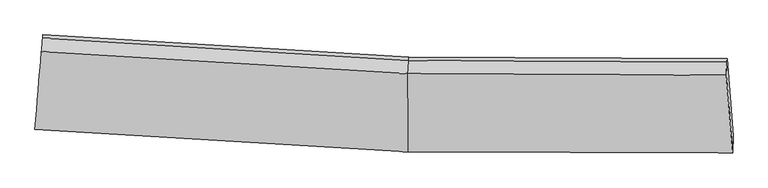
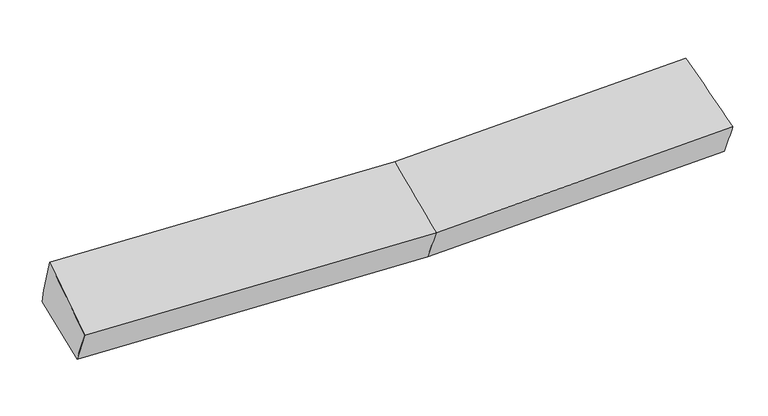
"""IFC4 building model written with IfcOpenShell, lengths in millimetres: proxy geometry."""

from ifc_helpers import new_model, si_unit, frame, origin, place, context, project, spatial, source, transform, mapped, element, save
from ifc_brep_helpers import plane_surface, spline_surface, advanced_brep


def generic_models_a6908924(model_context):
    return source(origin(), model_context, "Body", "AdvancedBrep", [
        advanced_brep(
        [(-3177.1043021, -1955.3989187, 2027.4722126), (-3163.0998189, -1802.731261, 1684.0830019), (136.7190742, -2002.1134725, 1701.9966608), (129.0079731, -2155.0577862, 2045.4617465), (-3105.4074422, -1116.0899326, 1835.8853183), (135.8572734, -1312.8981127, 1853.0930292), (-3108.4774421, -1147.1166214, 1977.3938465), (132.7872734, -1343.9248015, 1994.6015575), (-3119.5612682, -1264.6305921, 2339.1257355), (124.8105451, -1461.5753597, 2356.3709065), (2958.1233347, -1357.8936451, 2079.3247973), (2952.844666, -1475.4580953, 2441.17156), (3010.6546472, -2167.2294869, 2131.8006696), (3012.9008672, -2014.4595839, 1788.1787837), (2961.1933346, -1326.8669564, 1937.816269)],
        [
            (0, 1),
            (1, 2),
            (2, 3),
            (3, 0),
            (1, 4),
            (4, 5),
            (5, 1),
            (4, 6),
            (6, 7),
            (7, 5),
            (6, 8),
            (8, 9),
            (9, 7),
            (8, 0),
            (3, 9),
            (10, 11),
            (11, 12),
            (12, 13),
            (13, 14),
            (14, 10),
            (5, 2),
            (9, 11),
            (10, 7),
            (3, 12),
            (2, 13),
            (5, 14),
        ],
        [
            spline_surface(1, 1, [[(-3177.1043021, -1955.3989187, 2027.4722126), (129.0079731, -2155.0577862, 2045.4617465)], [(-3163.0998189, -1802.731261, 1684.0830019), (136.7190742, -2002.1134725, 1701.9966608)]], [2, 2], [2, 2], [0.0, 1.0], [0.0, 1.0]),
            plane_surface(frame((-3134.2536305, -1459.4105968, 1759.9841601), z_axis=(0.01820126236032212, 0.21437302113720338, -0.976582265790752), x_axis=(0.08176543590118228, 0.9731533123413776, 0.2151442403851307))),
            plane_surface(frame((-3106.9424422, -1131.603277, 1906.6395824), z_axis=(0.0580531172900845, 0.9748849958027376, 0.21500948939895692), x_axis=(-0.02118665508340077, -0.2141210940243344, 0.9765773306503686))),
            spline_surface(1, 1, [[(-3108.4774421, -1147.1166214, 1977.3938465), (132.7872734, -1343.9248015, 1994.6015575)], [(-3119.5612682, -1264.6305921, 2339.1257355), (124.8105451, -1461.5753597, 2356.3709065)]], [2, 2], [2, 2], [0.0, 1.0], [0.0, 1.0]),
            spline_surface(1, 1, [[(-3119.5612682, -1264.6305921, 2339.1257355), (124.8105451, -1461.5753597, 2356.3709065)], [(-3177.1043021, -1955.3989187, 2027.4722126), (129.0079731, -2155.0577862, 2045.4617465)]], [2, 2], [2, 2], [0.0, 1.0], [0.0, 1.0]),
            plane_surface(frame((2979.1433699, -1668.3815535, 2075.6584159), z_axis=(0.9970860948687861, 0.06707364636320205, 0.036337933112086385), x_axis=(-0.013872879035931266, -0.3089713534510127, 0.9509701604014207))),
            plane_surface(frame((-3134.7300547, -1457.1934652, 1972.792023), z_axis=(-0.9964263842042014, 0.08440845794610469, -0.003110158983400342), x_axis=(0.07571451833096131, 0.9089056928018642, 0.41007042481295075))),
            plane_surface(frame((-3163.0998189, -1802.731261, 1684.0830019), z_axis=(0.018240037550297572, 0.2141300200834327, -0.9766348527106907), x_axis=(-0.0012214008647158268, 0.9768013991806996, 0.21414372449024788))),
            spline_surface(1, 1, [[(132.7872734, -1343.9248015, 1994.6015575), (2958.1233347, -1357.8936451, 2079.3247973)], [(124.8105451, -1461.5753597, 2356.3709065), (2952.844666, -1475.4580953, 2441.17156)]], [2, 2], [2, 2], [0.0, 1.0], [0.0, 1.0]),
            spline_surface(1, 1, [[(124.8105451, -1461.5753597, 2356.3709065), (2952.844666, -1475.4580953, 2441.17156)], [(129.0079731, -2155.0577862, 2045.4617465), (3010.6546472, -2167.2294869, 2131.8006696)]], [2, 2], [2, 2], [0.0, 1.0], [0.0, 1.0]),
            spline_surface(1, 1, [[(129.0079731, -2155.0577862, 2045.4617465), (3010.6546472, -2167.2294869, 2131.8006696)], [(136.7190742, -2002.1134725, 1701.9966608), (3012.9008672, -2014.4595839, 1788.1787837)]], [2, 2], [2, 2], [0.0, 1.0], [0.0, 1.0]),
            spline_surface(1, 1, [[(136.7190742, -2002.1134725, 1701.9966608), (3012.9008672, -2014.4595839, 1788.1787837)], [(135.8572734, -1312.8981127, 1853.0930292), (2961.1933346, -1326.8669564, 1937.816269)]], [2, 2], [2, 2], [0.0, 1.0], [0.0, 1.0]),
            plane_surface(frame((134.3222734, -1328.4114571, 1923.8472934), z_axis=(-0.001591842011344549, 0.9768025712363365, 0.21413594482265927), x_axis=(-0.02118665508340396, -0.21412109402427734, 0.976577330650381))),
        ],
        [
            (0, [[1, 2, 3, 4]]),
            (1, [[5, 6, 7]]),
            (2, [[8, 9, 10, -6]]),
            (3, [[11, 12, 13, -9]]),
            (4, [[14, -4, 15, -12]]),
            (5, [[16, 17, 18, 19, 20]]),
            (6, [[-14, -11, -8, -5, -1]]),
            (7, [[21, -2, -7]]),
            (8, [[-13, 22, -16, 23]]),
            (9, [[-15, 24, -17, -22]]),
            (10, [[-3, 25, -18, -24]]),
            (11, [[-21, 26, -19, -25]]),
            (12, [[-10, -23, -20, -26]]),
        ],
    ),
    ])


if __name__ == "__main__":
    model = new_model("IFC4")
    model_context = context("Model", 3, world=origin())
    ifc_project = project(units=[si_unit("LENGTHUNIT", "METRE", prefix="MILLI")], contexts=[model_context])
    site = spatial("IfcSite", under=ifc_project)
    building = spatial("IfcBuilding", under=site)
    placement = place(None, origin())
    generic_models_shape = generic_models_a6908924(model_context)
    element("IfcBuildingElementProxy", 1, Name="Generic Models", at=placement, inside=building, context=model_context, shape_type="MappedRepresentation", body=[
        mapped(generic_models_shape, transform((0.0, 0.0, 0.0), x_axis=(1.0, 0.0, 0.0), y_axis=(0.0, 1.0, 0.0), z_axis=(0.0, 0.0, 1.0))),
    ])
    save(model, "model.ifc")
